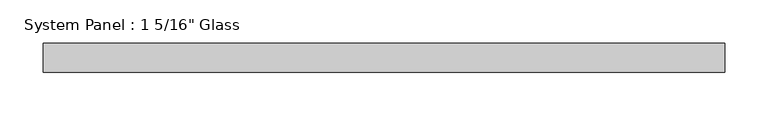
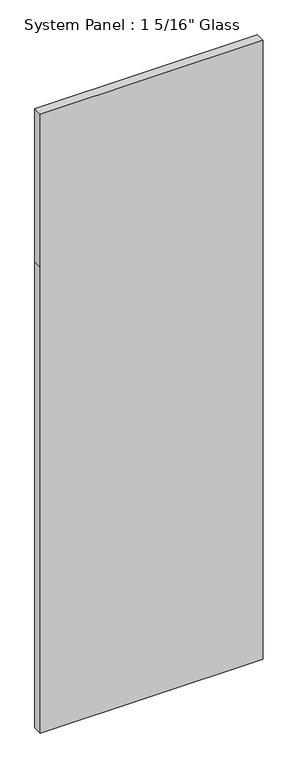
"""IFC4 building model written with IfcOpenShell, lengths in millimetres: plate geometry."""

from ifc_helpers import new_model, si_unit, frame, origin, place, context, project, spatial, polyline, outline, extrude, source, transform, mapped, element, save


def plate_1f90909b(model_context):
    return source(origin(), model_context, "Body", "SweptSolid", [
        extrude(outline(polyline([(0.0, -393.7), (0.0, 393.7), (1739.9, 393.7), (2311.4, 393.7), (2311.4, -393.7), (1739.9, -393.7), (0.0, -393.7)])), frame((0.0, -16.66875, 0.0), z_axis=(0.0, 1.0, 0.0), x_axis=(0.0, 0.0, 1.0)), (0.0, 0.0, 1.0), 33.3375),
    ])


if __name__ == "__main__":
    model = new_model("IFC4")
    model_context = context("Model", 3, world=origin())
    ifc_project = project(units=[si_unit("LENGTHUNIT", "METRE", prefix="MILLI")], contexts=[model_context])
    site = spatial("IfcSite", under=ifc_project)
    building = spatial("IfcBuilding", under=site)
    placement = place(None, origin())
    plate_shape = plate_1f90909b(model_context)
    element("IfcPlate", 1, ObjectType="System Panel : 1 5/16\" Glass", at=placement, inside=building, context=model_context, shape_type="MappedRepresentation", body=[
        mapped(plate_shape, transform((0.0, 0.0, 0.0), x_axis=(1.0, 0.0, 0.0), y_axis=(0.0, 1.0, 0.0), z_axis=(0.0, 0.0, 1.0))),
    ])
    save(model, "model.ifc")
